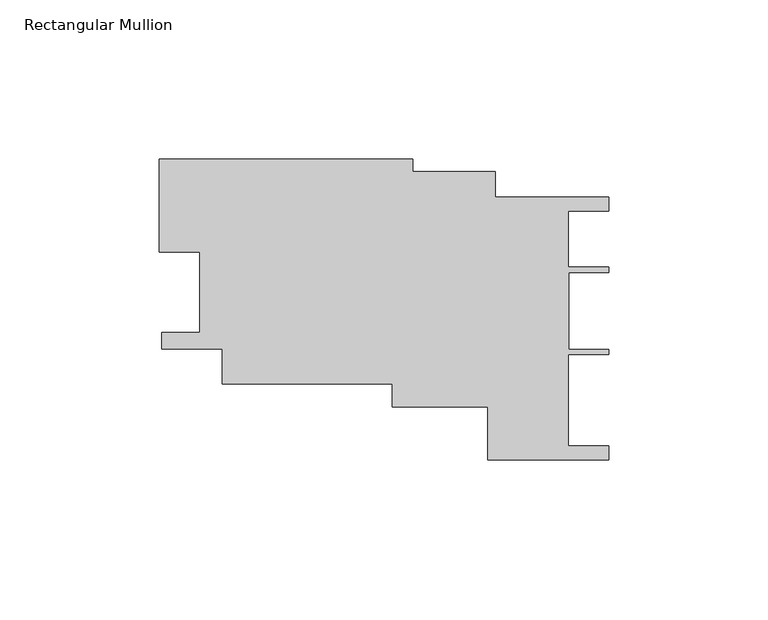
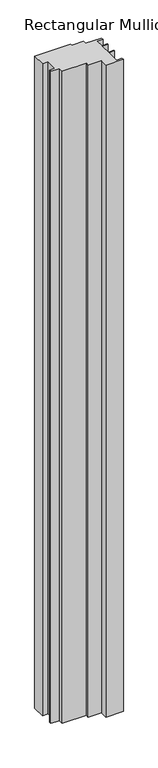
"""IFC4 building model written with IfcOpenShell, lengths in millimetres: member geometry, Rectangular Mullion."""

from ifc_helpers import new_model, si_unit, frame, origin, place, context, project, spatial, polyline, outline, extrude, source, transform, mapped, element, save


def rectangular_mullion_3f46844d(model_context):
    return source(origin(), model_context, "Body", "SweptSolid", [
        extrude(outline(polyline([(-128.5956117, 17.514382), (-141.2828123, 17.514382), (-141.2828123, 46.8265802), (-61.5714931, 46.8265802), (-61.5714931, 42.8074893), (-35.6941148, 42.8074893), (-35.6941148, 34.8008251), (0.0, 34.8008251), (0.0, 30.4826498), (-12.7005156, 30.4826498), (-12.7005156, 12.7863714), (0.0, 12.7863714), (0.0, 11.198807), (-12.6654037, 11.198807), (-12.6654037, -13.0068695), (0.0, -13.0068695), (0.0, -14.5944339), (-12.7005156, -14.5944339), (-12.7005156, -43.4342694), (0.0, -43.4342694), (0.0, -47.7524447), (-38.1045948, -47.7524447), (-38.1045948, -31.1167074), (-68.0381301, -31.1167074), (-68.0381301, -23.8702748), (-121.3875012, -23.8702748), (-121.3875012, -12.8462272), (-140.4767178, -12.8462272), (-140.4767178, -7.6390159), (-128.5956117, -7.6390159), (-128.5956117, 17.514382)])), frame((0.0, 0.0, -1524.0), z_axis=(0.0, 0.0, 1.0), x_axis=(1.0, 0.0, 0.0)), (0.0, 0.0, 1.0), 1524.0),
    ])


if __name__ == "__main__":
    model = new_model("IFC4")
    model_context = context("Model", 3, world=origin())
    ifc_project = project(units=[si_unit("LENGTHUNIT", "METRE", prefix="MILLI")], contexts=[model_context])
    site = spatial("IfcSite", under=ifc_project)
    building = spatial("IfcBuilding", under=site)
    placement = place(None, origin())
    rectangular_mullion_shape = rectangular_mullion_3f46844d(model_context)
    element("IfcMember", 1, ObjectType="Rectangular Mullion", at=placement, inside=building, context=model_context, shape_type="MappedRepresentation", body=[
        mapped(rectangular_mullion_shape, transform((0.0, 0.0, 0.0), x_axis=(1.0, 0.0, 0.0), y_axis=(0.0, 1.0, 0.0), z_axis=(0.0, 0.0, 1.0))),
    ])
    save(model, "model.ifc")
